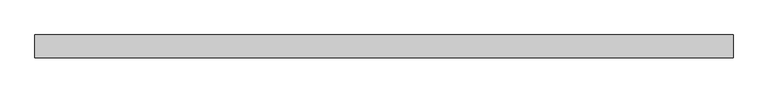
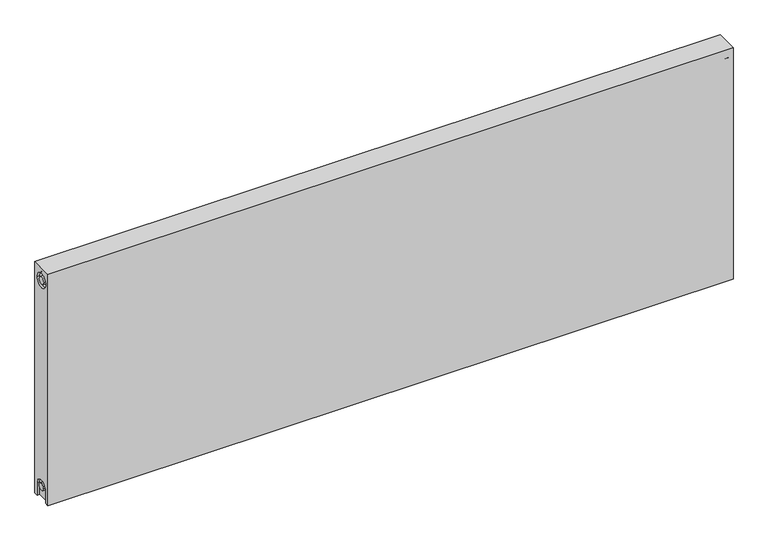
"""IFC4 building model written with IfcOpenShell, lengths in millimetres: proxy geometry."""

import ifcopenshell
import ifcopenshell.guid

model = None  # the IFC model being written
_history = None  # IfcOwnerHistory: only IFC2X3 demands one
_inside = {}  # id of a spatial element -> (the spatial element, [elements in it])
_under = {}  # id of a project, library or spatial element -> (it, [spatial elements below it])
_declared = {}  # id of a project -> (the project, [libraries it declares])
_typed = {}  # id of a type object -> (the type object, [elements of that type])
_made_of = {}  # id of a material, layer set ... -> (it, [elements and type objects made of it])


def new_model(schema):
    """Start an empty IFC model of exactly this schema.

    Asked for "IFC4X3", IfcOpenShell would pick the latest addendum, in which some entities
    have other attributes; the version numbers below select the first issue.
    IFC2X3 requires an IfcOwnerHistory on every rooted entity: one is made here for all.
    """
    global model, _history
    if schema == "IFC4X3":
        model = ifcopenshell.file(schema_version=(4, 3, 0, 0))
    else:
        model = ifcopenshell.file(schema=schema)
    _inside.clear()
    _under.clear()
    _declared.clear()
    _typed.clear()
    _made_of.clear()
    _history = None
    if model.schema == "IFC2X3":
        org = make("IfcOrganization", Name="unknown")
        user = make(
            "IfcPersonAndOrganization",
            ThePerson=make("IfcPerson", FamilyName="unknown"),
            TheOrganization=org,
        )
        app = make(
            "IfcApplication",
            ApplicationDeveloper=org,
            Version="unknown",
            ApplicationFullName="unknown",
            ApplicationIdentifier="unknown",
        )
        _history = make(
            "IfcOwnerHistory",
            OwningUser=user,
            OwningApplication=app,
            ChangeAction="ADDED",
            CreationDate=0,
        )
    return model


def make(cls, **values):
    """One entity of the class cls with the attributes given. An attribute that is None is left unset."""
    return model.create_entity(
        cls, **{name: value for name, value in values.items() if value is not None}
    )


def rooted(cls, **values):
    """An entity with a GlobalId (a new one), such as an element, a storey or a relation."""
    return make(cls, GlobalId=ifcopenshell.guid.new(), OwnerHistory=_history, **values)


def si_unit(unit_type, name, prefix=None):
    """IfcSIUnit, for example si_unit("LENGTHUNIT", "METRE", prefix="MILLI")."""
    return make("IfcSIUnit", UnitType=unit_type, Prefix=prefix, Name=name)


def assignment(units):
    """IfcUnitAssignment: the units of a project."""
    return None if units is None else make("IfcUnitAssignment", Units=units)


def point(xyz):
    """IfcCartesianPoint."""
    return None if xyz is None else make("IfcCartesianPoint", Coordinates=xyz)


def direction(xyz):
    """IfcDirection."""
    return None if xyz is None else make("IfcDirection", DirectionRatios=xyz)


def frame(location, z_axis=None, x_axis=None):
    """IfcAxis2Placement3D, a coordinate frame: its origin and axes. An axis left out is left unset."""
    return make(
        "IfcAxis2Placement3D",
        Location=point(location),
        Axis=direction(z_axis),
        RefDirection=direction(x_axis),
    )


def origin():
    """The frame at (0, 0, 0) with its axes left unset."""
    return frame((0.0, 0.0, 0.0))


def place(relative_to, where):
    """IfcLocalPlacement: puts the frame where relative to a parent placement (None: the world)."""
    return make(
        "IfcLocalPlacement", PlacementRelTo=relative_to, RelativePlacement=where
    )


def context(
    kind, dimensions, precision=None, world=None, true_north=None, identifier=None
):
    """IfcGeometricRepresentationContext, for example the 3D "Model" context."""
    return make(
        "IfcGeometricRepresentationContext",
        ContextIdentifier=identifier,
        ContextType=kind,
        CoordinateSpaceDimension=dimensions,
        Precision=precision,
        WorldCoordinateSystem=world,
        TrueNorth=true_north,
    )


def project(units=None, contexts=None):
    """IfcProject with its units and contexts."""
    return rooted(
        "IfcProject",
        Name="project",
        RepresentationContexts=contexts,
        UnitsInContext=assignment(units),
    )


def spatial(cls, under=None, at=None, **own):
    """A site, building, storey or space (cls), placed at a placement, below another one or the project."""
    s = rooted(cls, ObjectPlacement=at, **own)
    if under is not None:
        _under.setdefault(under.id(), (under, []))[1].append(s)
    return s


def polyline(points):
    """IfcPolyline through the points."""
    return make("IfcPolyline", Points=[point(p) for p in points])


def circle_curve(where, radius):
    """IfcCircle in the frame where."""
    return make("IfcCircle", Position=where, Radius=radius)


def shape(context_of_items, identifier, shape_type, items):
    """IfcShapeRepresentation: the items that make up one representation, for example the "Body"."""
    return make(
        "IfcShapeRepresentation",
        ContextOfItems=context_of_items,
        RepresentationIdentifier=identifier,
        RepresentationType=shape_type,
        Items=items,
    )


def source(mapping_origin, context_of_items, identifier, shape_type, items):
    """IfcRepresentationMap: a shape defined once, which mapped items show again and again."""
    return make(
        "IfcRepresentationMap",
        MappingOrigin=mapping_origin,
        MappedRepresentation=shape(context_of_items, identifier, shape_type, items),
    )


def transform(
    local_origin,
    x_axis=None,
    y_axis=None,
    z_axis=None,
    scale=None,
    scale2=None,
    scale3=None,
    uniform=True,
):
    """IfcCartesianTransformationOperator3D, or its non-uniform kind. x_axis, y_axis, z_axis: its Axis1, 2, 3."""
    if uniform:
        return make(
            "IfcCartesianTransformationOperator3D",
            Axis1=direction(x_axis),
            Axis2=direction(y_axis),
            LocalOrigin=point(local_origin),
            Scale=scale,
            Axis3=direction(z_axis),
        )
    return make(
        "IfcCartesianTransformationOperator3DnonUniform",
        Axis1=direction(x_axis),
        Axis2=direction(y_axis),
        LocalOrigin=point(local_origin),
        Scale=scale,
        Axis3=direction(z_axis),
        Scale2=scale2,
        Scale3=scale3,
    )


def mapped(mapping_source, mapping_target):
    """IfcMappedItem: shows the shape of a source again, moved by a transform."""
    return make(
        "IfcMappedItem", MappingSource=mapping_source, MappingTarget=mapping_target
    )


def made_of(thing, what):
    """Note that an element or type object is made of a material, layer set ...; save() writes the relation."""
    if what is not None:
        _made_of.setdefault(what.id(), (what, []))[1].append(thing)
    return thing


def element(
    cls,
    number,
    at=None,
    inside=None,
    cuts=None,
    type_object=None,
    material=None,
    context=None,
    identifier="Body",
    shape_type=None,
    held_by="IfcProductDefinitionShape",
    body=None,
    shapes=None,
    **own,
):
    """One element of the class cls, such as IfcWall. Its Tag is "e" and its number.

    at: its placement. inside: the storey or other place that contains it. cuts: it is an
    opening in that element (IfcRelVoidsElement). A single representation is given by context,
    identifier, shape_type and body (its items); several are given by shapes. held_by: the class
    of the entity that holds the representations. save() writes the other relations.
    """
    e = rooted(cls, Tag="e%d" % number, ObjectPlacement=at, **own)
    if body is not None:
        shapes = [shape(context, identifier, shape_type, body)]
    if shapes is not None:
        e.Representation = make(held_by, Representations=shapes)
    if inside is not None:
        _inside.setdefault(inside.id(), (inside, []))[1].append(e)
    if cuts is not None:
        rooted(
            "IfcRelVoidsElement", RelatingBuildingElement=cuts, RelatedOpeningElement=e
        )
    if type_object is not None:
        _typed.setdefault(type_object.id(), (type_object, []))[1].append(e)
    return made_of(e, material)


def aggregate(whole, parts):
    """IfcRelAggregates: a whole, such as a stair, and the parts it consists of."""
    return rooted("IfcRelAggregates", RelatingObject=whole, RelatedObjects=parts)


def save(model, path):
    """Write the relations noted so far, then the file.

    IfcRelAggregates (storeys below a building ...), IfcRelContainedInSpatialStructure (elements
    in a storey), IfcRelDefinesByType, IfcRelAssociatesMaterial and IfcRelDeclares: one each for
    every whole, place, type object, material and project.
    """
    for whole, parts in _under.values():
        aggregate(whole, parts)
    for where, things in _inside.values():
        rooted(
            "IfcRelContainedInSpatialStructure",
            RelatedElements=things,
            RelatingStructure=where,
        )
    for kind, things in _typed.values():
        rooted("IfcRelDefinesByType", RelatedObjects=things, RelatingType=kind)
    for what, things in _made_of.values():
        rooted("IfcRelAssociatesMaterial", RelatedObjects=things, RelatingMaterial=what)
    for by, libraries in _declared.values():
        rooted("IfcRelDeclares", RelatingContext=by, RelatedDefinitions=libraries)
    model.write(path)


def plane_surface(at):
    """IfcPlane: the flat surface through the origin of the frame at, square to its z axis."""
    return make("IfcPlane", Position=at)


def cylinder_surface(at, radius):
    """IfcCylindricalSurface: all points at the distance radius from the z axis of the frame at."""
    return make("IfcCylindricalSurface", Position=at, Radius=radius)


def revolved_surface(curve, axis_point, axis_direction):
    """IfcSurfaceOfRevolution: the curve turned about the line through axis_point along axis_direction."""
    return make(
        "IfcSurfaceOfRevolution",
        SweptCurve=make("IfcArbitraryOpenProfileDef", ProfileType="CURVE", Curve=curve),
        AxisPosition=make("IfcAxis1Placement", Location=point(axis_point), Axis=direction(axis_direction)),
    )


def advanced_brep(points, edges, surfaces, faces):
    """IfcAdvancedBrep: a solid bounded by faces that lie on surfaces and meet in shared edges.

    An edge is (start, end): straight between two places in points (the first is 0);
    or (start, end, curve); or (start, end, curve, False) where it runs against its curve.
    A face is (place in surfaces, loops), or (place, loops, False) where it looks against
    its surface's normal. A loop lists edges by number (the first is 1), with a minus sign
    where the edge is run from its end to its start. The first loop is the outer one.
    """
    corners = [point(p) for p in points]
    vertices = [make("IfcVertexPoint", VertexGeometry=c) for c in corners]
    made = []
    for start, end, *more in edges:
        made.append(
            make(
                "IfcEdgeCurve",
                EdgeStart=vertices[start],
                EdgeEnd=vertices[end],
                EdgeGeometry=more[0] if more else make("IfcPolyline", Points=[corners[start], corners[end]]),
                SameSense=more[1] if len(more) > 1 else True,
            )
        )
    hull = []
    for where, loops, *sense in faces:
        bounds = []
        for j, loop in enumerate(loops):
            ring = [make("IfcOrientedEdge", EdgeElement=made[abs(k) - 1], Orientation=k > 0) for k in loop]
            bounds.append(
                make(
                    "IfcFaceOuterBound" if j == 0 else "IfcFaceBound",
                    Bound=make("IfcEdgeLoop", EdgeList=ring),
                    Orientation=True,
                )
            )
        hull.append(make("IfcAdvancedFace", Bounds=bounds, FaceSurface=surfaces[where], SameSense=sense[0] if sense else True))
    return make("IfcAdvancedBrep", Outer=make("IfcClosedShell", CfsFaces=hull))


def mechanical_equipment_b8a24ab0(model_context):
    return source(origin(), model_context, "Body", "AdvancedBrep", [
        advanced_brep(
        [(1400.0, 23.0, 500.0), (1400.0, 23.0, 0.0), (0.0, 23.0, 0.0), (0.0, 23.0, 500.0), (1400.0, -23.0, 500.0), (0.0, -23.0, 500.0), (0.0, -23.0, 0.0), (1400.0, -23.0, 0.0), (1400.0, -15.0, 0.0), (1400.0, -15.0, 27.0), (1400.0, 15.0, 27.0), (1400.0, 15.0, 0.0), (1400.0, 14.7242393, 473.0), (1400.0, -15.2757607, 473.0), (1400.0, -7.5, 27.0), (1400.0, 7.5, 27.0), (1400.0, 7.2242393, 473.0), (1400.0, -7.7757607, 473.0), (1395.0, 15.0, 0.0), (1395.0, -15.0, 0.0), (0.0, -15.0, 0.0), (5.0, -15.0, 0.0), (5.0, 15.0, 0.0), (0.0, 15.0, 0.0), (0.0, 15.0, 27.0), (0.0, -15.0, 27.0), (0.0, -15.2757607, 473.0), (0.0, 14.7242393, 473.0), (0.0, -7.7757607, 473.0), (0.0, 7.2242393, 473.0), (0.0, 7.5, 27.0), (0.0, -7.5, 27.0), (5.0, -15.2757607, 473.0), (5.0, 14.7242393, 473.0), (5.0, -7.7757607, 473.0), (5.0, 7.2242393, 473.0), (5.0, -15.0, 27.0), (5.0, 15.0, 27.0), (5.0, -7.5, 27.0), (5.0, 7.5, 27.0), (1395.0, 15.0, 27.0), (1395.0, -15.0, 27.0), (1395.0, -7.5, 27.0), (1395.0, 7.5, 27.0), (1395.0, -15.2757607, 473.0), (1395.0, 14.7242393, 473.0), (1395.0, -7.7757607, 473.0), (1395.0, 7.2242393, 473.0)],
        [
            (0, 1),
            (1, 2),
            (2, 3),
            (3, 0),
            (4, 5),
            (5, 6),
            (6, 7),
            (7, 4),
            (0, 4),
            (7, 8),
            (8, 9),
            (9, 10, circle_curve(frame((1400.0, 0.0, 27.0), z_axis=(-1.0, 0.0, 0.0), x_axis=(0.0, 1.0, 0.0)), 15.0)),
            (10, 11),
            (11, 1),
            (12, 13, circle_curve(frame((1400.0, -0.2757607, 473.0), z_axis=(-1.0, 0.0, 0.0), x_axis=(0.0, 1.0, 0.0)), 15.0)),
            (13, 12, circle_curve(frame((1400.0, -0.2757607, 473.0), z_axis=(-1.0, 0.0, 0.0), x_axis=(0.0, 1.0, 0.0)), 15.0)),
            (14, 15, circle_curve(frame((1400.0, 0.0, 27.0), z_axis=(1.0, 0.0, 0.0), x_axis=(0.0, 1.0, 0.0)), 7.5)),
            (15, 14, circle_curve(frame((1400.0, 0.0, 27.0), z_axis=(1.0, 0.0, 0.0), x_axis=(0.0, 1.0, 0.0)), 7.5)),
            (16, 17, circle_curve(frame((1400.0, -0.2757607, 473.0), z_axis=(1.0, 0.0, 0.0), x_axis=(0.0, 1.0, 0.0)), 7.5)),
            (17, 16, circle_curve(frame((1400.0, -0.2757607, 473.0), z_axis=(1.0, 0.0, 0.0), x_axis=(0.0, 1.0, 0.0)), 7.5)),
            (11, 18),
            (18, 19),
            (19, 8),
            (6, 20),
            (20, 21),
            (21, 22),
            (22, 23),
            (23, 2),
            (23, 24),
            (24, 25, circle_curve(frame((0.0, 0.0, 27.0), z_axis=(1.0, 0.0, 0.0), x_axis=(0.0, 1.0, 0.0)), 15.0)),
            (25, 20),
            (5, 3),
            (26, 27, circle_curve(frame((0.0, -0.2757607, 473.0), z_axis=(1.0, 0.0, 0.0), x_axis=(0.0, 1.0, 0.0)), 15.0)),
            (27, 26, circle_curve(frame((0.0, -0.2757607, 473.0), z_axis=(1.0, 0.0, 0.0), x_axis=(0.0, 1.0, 0.0)), 15.0)),
            (28, 29, circle_curve(frame((0.0, -0.2757607, 473.0), z_axis=(-1.0, 0.0, 0.0), x_axis=(0.0, 1.0, 0.0)), 7.5)),
            (29, 28, circle_curve(frame((0.0, -0.2757607, 473.0), z_axis=(-1.0, 0.0, 0.0), x_axis=(0.0, 1.0, 0.0)), 7.5)),
            (30, 31, circle_curve(frame((0.0, 0.0, 27.0), z_axis=(-1.0, 0.0, 0.0), x_axis=(0.0, 1.0, 0.0)), 7.5)),
            (31, 30, circle_curve(frame((0.0, 0.0, 27.0), z_axis=(-1.0, 0.0, 0.0), x_axis=(0.0, 1.0, 0.0)), 7.5)),
            (32, 33, circle_curve(frame((5.0, -0.2757607, 473.0), z_axis=(-1.0, 0.0, 0.0), x_axis=(0.0, 1.0, 0.0)), 15.0)),
            (33, 32, circle_curve(frame((5.0, -0.2757607, 473.0), z_axis=(-1.0, 0.0, 0.0), x_axis=(0.0, 1.0, 0.0)), 15.0)),
            (34, 35, circle_curve(frame((5.0, -0.2757607, 473.0), z_axis=(1.0, 0.0, 0.0), x_axis=(0.0, 1.0, 0.0)), 7.5)),
            (35, 34, circle_curve(frame((5.0, -0.2757607, 473.0), z_axis=(1.0, 0.0, 0.0), x_axis=(0.0, 1.0, 0.0)), 7.5)),
            (33, 27),
            (26, 32),
            (35, 29),
            (28, 34),
            (21, 36),
            (36, 37, circle_curve(frame((5.0, 0.0, 27.0), z_axis=(-1.0, 0.0, 0.0), x_axis=(0.0, 1.0, 0.0)), 15.0)),
            (37, 22),
            (38, 39, circle_curve(frame((5.0, 0.0, 27.0), z_axis=(1.0, 0.0, 0.0), x_axis=(0.0, 1.0, 0.0)), 7.5)),
            (39, 38, circle_curve(frame((5.0, 0.0, 27.0), z_axis=(1.0, 0.0, 0.0), x_axis=(0.0, 1.0, 0.0)), 7.5)),
            (38, 31),
            (30, 39),
            (37, 24),
            (36, 25),
            (18, 40),
            (40, 41, circle_curve(frame((1395.0, 0.0, 27.0), z_axis=(1.0, 0.0, 0.0), x_axis=(0.0, 1.0, 0.0)), 15.0)),
            (41, 19),
            (42, 43, circle_curve(frame((1395.0, 0.0, 27.0), z_axis=(-1.0, 0.0, 0.0), x_axis=(0.0, 1.0, 0.0)), 7.5)),
            (43, 42, circle_curve(frame((1395.0, 0.0, 27.0), z_axis=(-1.0, 0.0, 0.0), x_axis=(0.0, 1.0, 0.0)), 7.5)),
            (43, 15),
            (14, 42),
            (10, 40),
            (9, 41),
            (44, 45, circle_curve(frame((1395.0, -0.2757607, 473.0), z_axis=(1.0, 0.0, 0.0), x_axis=(0.0, 1.0, 0.0)), 15.0)),
            (45, 44, circle_curve(frame((1395.0, -0.2757607, 473.0), z_axis=(1.0, 0.0, 0.0), x_axis=(0.0, 1.0, 0.0)), 15.0)),
            (46, 47, circle_curve(frame((1395.0, -0.2757607, 473.0), z_axis=(-1.0, 0.0, 0.0), x_axis=(0.0, 1.0, 0.0)), 7.5)),
            (47, 46, circle_curve(frame((1395.0, -0.2757607, 473.0), z_axis=(-1.0, 0.0, 0.0), x_axis=(0.0, 1.0, 0.0)), 7.5)),
            (44, 13),
            (12, 45),
            (46, 17),
            (16, 47),
        ],
        [
            plane_surface(frame((1400.0, 23.0, 500.0), z_axis=(0.0, 1.0, 0.0), x_axis=(0.0, 0.0, -1.0))),
            plane_surface(frame((1400.0, -23.0, 500.0), z_axis=(0.0, -1.0, 0.0), x_axis=(0.0, 0.0, 1.0))),
            plane_surface(frame((1400.0, 23.0, 500.0), z_axis=(1.0, 0.0, 0.0), x_axis=(0.0, -1.0, 0.0))),
            plane_surface(frame((1400.0, 23.0, 0.0), z_axis=(0.0, 0.0, -1.0), x_axis=(0.0, -1.0, 0.0))),
            plane_surface(frame((0.0, 23.0, 0.0), z_axis=(-1.0, 0.0, 0.0), x_axis=(0.0, -1.0, 0.0))),
            plane_surface(frame((0.0, 23.0, 500.0), z_axis=(0.0, 0.0, 1.0), x_axis=(0.0, -1.0, 0.0))),
            plane_surface(frame((5.0, 14.7242393, 473.0), z_axis=(-1.0, 0.0, 0.0), x_axis=(0.0, 0.0, 1.0))),
            revolved_surface(polyline([(5.0, 14.7242393, 473.0), (0.0, 14.7242393, 473.0)]), (0.0, -0.2757607, 473.0), (1.0, 0.0, 0.0)),
            cylinder_surface(frame((0.0, -0.2757607, 473.0), z_axis=(-1.0, 0.0, 0.0), x_axis=(0.0, 1.0, 0.0)), 7.5),
            plane_surface(frame((5.0, 7.5, 27.0), z_axis=(-1.0, 0.0, 0.0), x_axis=(0.0, 0.0, -1.0))),
            cylinder_surface(frame((0.0, 0.0, 27.0), z_axis=(-1.0, 0.0, 0.0), x_axis=(0.0, 1.0, 0.0)), 7.5),
            plane_surface(frame((5.0, 15.0, 0.0), z_axis=(0.0, -1.0, 0.0), x_axis=(-1.0, 0.0, 0.0))),
            revolved_surface(polyline([(5.0, 15.0, 27.0), (0.0, 15.0, 27.0)]), (0.0, 0.0, 27.0), (1.0, 0.0, 0.0)),
            plane_surface(frame((5.0, -15.0, 27.0), z_axis=(0.0, 1.0, 0.0), x_axis=(-1.0, 0.0, 0.0))),
            plane_surface(frame((1395.0, 7.5, 27.0), z_axis=(1.0, 0.0, 0.0), x_axis=(0.0, 0.0, 1.0))),
            cylinder_surface(frame((1395.0, 0.0, 27.0), z_axis=(-1.0, 0.0, 0.0), x_axis=(0.0, 1.0, 0.0)), 7.5),
            plane_surface(frame((1400.0, 15.0, 0.0), z_axis=(0.0, -1.0, 0.0), x_axis=(-1.0, 0.0, 0.0))),
            revolved_surface(polyline([(1400.0, 15.0, 27.0), (1395.0, 15.0, 27.0)]), (895.0, 0.0, 27.0), (1.0, 0.0, 0.0)),
            plane_surface(frame((1400.0, -15.0, 27.0), z_axis=(0.0, 1.0, 0.0), x_axis=(-1.0, 0.0, 0.0))),
            plane_surface(frame((1395.0, 14.7242393, 473.0), z_axis=(1.0, 0.0, 0.0), x_axis=(0.0, 0.0, -1.0))),
            revolved_surface(polyline([(1400.0, 14.7242393, 473.0), (1395.0, 14.7242393, 473.0)]), (1395.0, -0.2757607, 473.0), (1.0, 0.0, 0.0)),
            cylinder_surface(frame((895.0, -0.2757607, 473.0), z_axis=(-1.0, 0.0, 0.0), x_axis=(0.0, 1.0, 0.0)), 7.5),
        ],
        [
            (0, [[1, 2, 3, 4]]),
            (1, [[5, 6, 7, 8]]),
            (2, [[-1, 9, -8, 10, 11, 12, 13, 14], [15, 16]]),
            (2, [[17, 18]]),
            (2, [[19, 20]]),
            (3, [[-2, -14, 21, 22, 23, -10, -7, 24, 25, 26, 27, 28]]),
            (4, [[-3, -28, 29, 30, 31, -24, -6, 32], [33, 34]]),
            (4, [[35, 36]]),
            (4, [[37, 38]]),
            (5, [[-4, -32, -5, -9]]),
            (6, [[39, 40], [41, 42]]),
            (7, [[-40, 43, -33, 44]]),
            (7, [[-39, -44, -34, -43]]),
            (8, [[-42, 45, -35, 46]]),
            (8, [[-41, -46, -36, -45]]),
            (9, [[47, 48, 49, -26], [50, 51]]),
            (10, [[-50, 52, -37, 53]]),
            (10, [[-51, -53, -38, -52]]),
            (11, [[-49, 54, -29, -27]]),
            (12, [[-48, 55, -30, -54]]),
            (13, [[-47, -25, -31, -55]]),
            (14, [[56, 57, 58, -22], [59, 60]]),
            (15, [[-60, 61, -17, 62]]),
            (15, [[-59, -62, -18, -61]]),
            (16, [[-56, -21, -13, 63]]),
            (17, [[-57, -63, -12, 64]]),
            (18, [[-58, -64, -11, -23]]),
            (19, [[65, 66], [67, 68]]),
            (20, [[-65, 69, -15, 70]]),
            (20, [[-66, -70, -16, -69]]),
            (21, [[-67, 71, -19, 72]]),
            (21, [[-68, -72, -20, -71]]),
        ],
    ),
    ])


if __name__ == "__main__":
    model = new_model("IFC4")
    model_context = context("Model", 3, world=origin())
    ifc_project = project(units=[si_unit("LENGTHUNIT", "METRE", prefix="MILLI")], contexts=[model_context])
    site = spatial("IfcSite", under=ifc_project)
    building = spatial("IfcBuilding", under=site)
    placement = place(None, origin())
    mechanical_equipment_shape = mechanical_equipment_b8a24ab0(model_context)
    element("IfcBuildingElementProxy", 1, Name="Mechanical Equipment", at=placement, inside=building, context=model_context, shape_type="MappedRepresentation", body=[
        mapped(mechanical_equipment_shape, transform((0.0, 0.0, 0.0), x_axis=(1.0, 0.0, 0.0), y_axis=(0.0, 1.0, 0.0), z_axis=(0.0, 0.0, 1.0))),
    ])
    save(model, "model.ifc")
